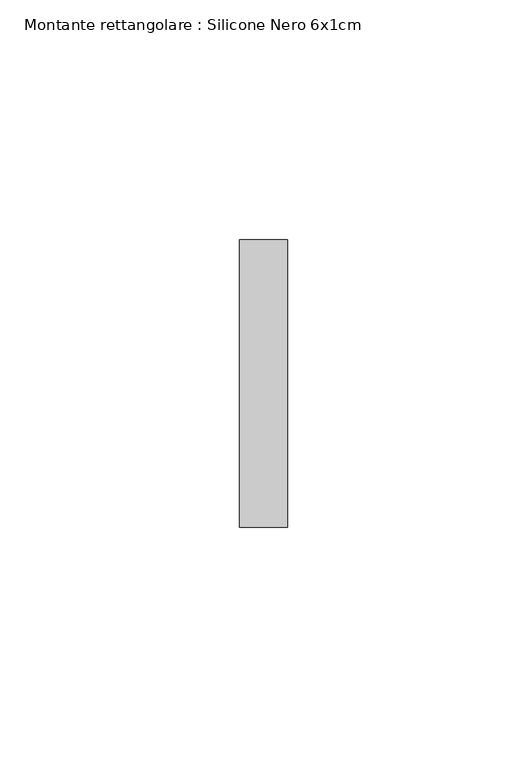
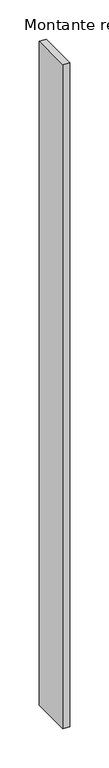
"""IFC4 building model written with IfcOpenShell, lengths in millimetres: member geometry, Montante rettangolare : Silicone Nero 6x1cm."""

from ifc_helpers import new_model, si_unit, frame, origin, place, context, project, spatial, polyline, outline, extrude, source, transform, mapped, element, save


def montante_rettangolare_silicone_nero_6x1cm_7452a38d(model_context):
    return source(origin(), model_context, "Body", "SweptSolid", [
        extrude(outline(polyline([(0.0, 60.0), (0.0, 0.0), (-10.0, 0.0), (-10.0, 60.0), (0.0, 60.0)])), frame((0.0, 0.0, -1033.3333333), z_axis=(0.0, 0.0, 1.0), x_axis=(1.0, 0.0, 0.0)), (0.0, 0.0, 1.0), 1033.3333333),
    ])


if __name__ == "__main__":
    model = new_model("IFC4")
    model_context = context("Model", 3, world=origin())
    ifc_project = project(units=[si_unit("LENGTHUNIT", "METRE", prefix="MILLI")], contexts=[model_context])
    site = spatial("IfcSite", under=ifc_project)
    building = spatial("IfcBuilding", under=site)
    placement = place(None, origin())
    montante_rettangolare_silicone_nero_6x1cm_shape = montante_rettangolare_silicone_nero_6x1cm_7452a38d(model_context)
    element("IfcMember", 1, ObjectType="Montante rettangolare : Silicone Nero 6x1cm", at=placement, inside=building, context=model_context, shape_type="MappedRepresentation", body=[
        mapped(montante_rettangolare_silicone_nero_6x1cm_shape, transform((0.0, 0.0, 0.0), x_axis=(1.0, 0.0, 0.0), y_axis=(0.0, 1.0, 0.0), z_axis=(0.0, 0.0, 1.0))),
    ])
    save(model, "model.ifc")
